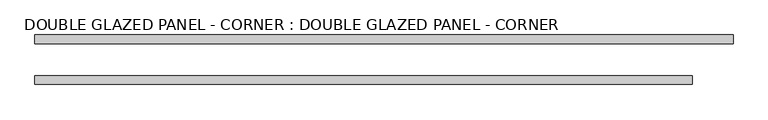
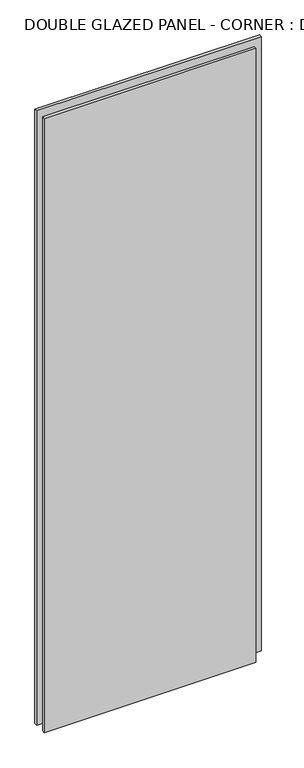
"""IFC4 building model written with IfcOpenShell, lengths in millimetres: plate geometry, DOUBLE GLAZED PANEL - CORNER : DOUBLE GLAZED PANEL - CORNER."""

from ifc_helpers import new_model, si_unit, origin, origin_with_axes, place, context, project, spatial, polyline, outline, extrude, source, transform, mapped, element, save


def double_glazed_panel_corner_double_glazed_panel_corner_ecda3651(model_context):
    return source(origin(), model_context, "Body", "SweptSolid", [
        extrude(outline(polyline([(514.35, -6.35), (-514.35, -6.35), (-514.35, 6.35), (514.35, 6.35), (514.35, -6.35)])), origin_with_axes(), (0.0, 0.0, 1.0), 2971.8),
        extrude(outline(polyline([(454.025, -66.675), (-514.35, -66.675), (-514.35, -53.975), (454.025, -53.975), (454.025, -66.675)])), origin_with_axes(), (0.0, 0.0, 1.0), 2971.8),
    ])


if __name__ == "__main__":
    model = new_model("IFC4")
    model_context = context("Model", 3, world=origin())
    ifc_project = project(units=[si_unit("LENGTHUNIT", "METRE", prefix="MILLI")], contexts=[model_context])
    site = spatial("IfcSite", under=ifc_project)
    building = spatial("IfcBuilding", under=site)
    placement = place(None, origin())
    double_glazed_panel_corner_double_glazed_panel_corner_shape = double_glazed_panel_corner_double_glazed_panel_corner_ecda3651(model_context)
    element("IfcPlate", 1, ObjectType="DOUBLE GLAZED PANEL - CORNER : DOUBLE GLAZED PANEL - CORNER", at=placement, inside=building, context=model_context, shape_type="MappedRepresentation", body=[
        mapped(double_glazed_panel_corner_double_glazed_panel_corner_shape, transform((0.0, 0.0, 0.0), x_axis=(1.0, 0.0, 0.0), y_axis=(0.0, 1.0, 0.0), z_axis=(0.0, 0.0, 1.0))),
    ])
    save(model, "model.ifc")
